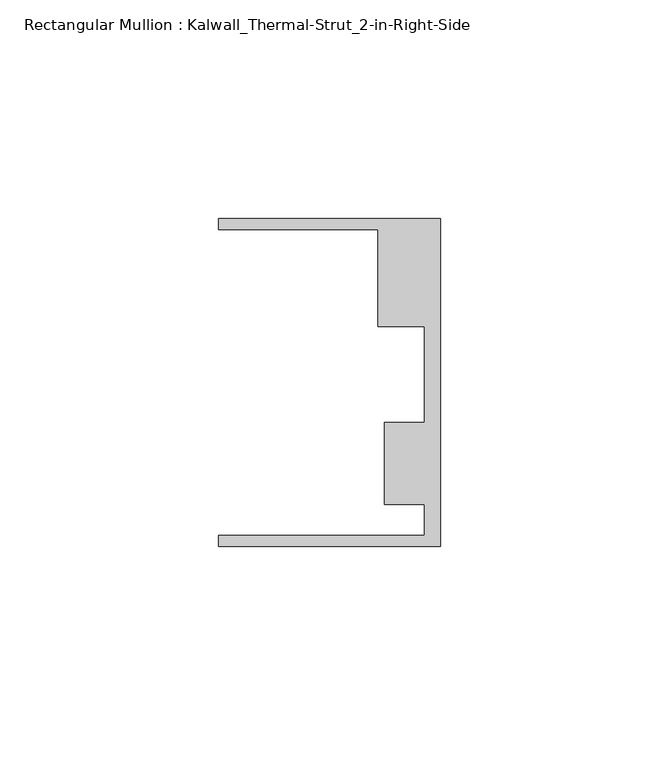
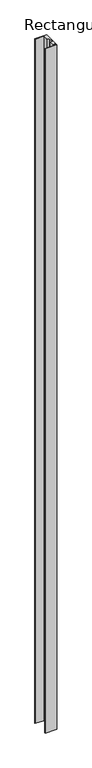
"""IFC4 building model written with IfcOpenShell, lengths in millimetres: member geometry, Rectangular Mullion : Kalwall_Thermal-Strut_2-in-Right-Side."""

import ifcopenshell
import ifcopenshell.guid

model = None  # the IFC model being written
_history = None  # IfcOwnerHistory: only IFC2X3 demands one
_inside = {}  # id of a spatial element -> (the spatial element, [elements in it])
_under = {}  # id of a project, library or spatial element -> (it, [spatial elements below it])
_declared = {}  # id of a project -> (the project, [libraries it declares])
_typed = {}  # id of a type object -> (the type object, [elements of that type])
_made_of = {}  # id of a material, layer set ... -> (it, [elements and type objects made of it])


def new_model(schema):
    """Start an empty IFC model of exactly this schema.

    Asked for "IFC4X3", IfcOpenShell would pick the latest addendum, in which some entities
    have other attributes; the version numbers below select the first issue.
    IFC2X3 requires an IfcOwnerHistory on every rooted entity: one is made here for all.
    """
    global model, _history
    if schema == "IFC4X3":
        model = ifcopenshell.file(schema_version=(4, 3, 0, 0))
    else:
        model = ifcopenshell.file(schema=schema)
    _inside.clear()
    _under.clear()
    _declared.clear()
    _typed.clear()
    _made_of.clear()
    _history = None
    if model.schema == "IFC2X3":
        org = make("IfcOrganization", Name="unknown")
        user = make(
            "IfcPersonAndOrganization",
            ThePerson=make("IfcPerson", FamilyName="unknown"),
            TheOrganization=org,
        )
        app = make(
            "IfcApplication",
            ApplicationDeveloper=org,
            Version="unknown",
            ApplicationFullName="unknown",
            ApplicationIdentifier="unknown",
        )
        _history = make(
            "IfcOwnerHistory",
            OwningUser=user,
            OwningApplication=app,
            ChangeAction="ADDED",
            CreationDate=0,
        )
    return model


def make(cls, **values):
    """One entity of the class cls with the attributes given. An attribute that is None is left unset."""
    return model.create_entity(
        cls, **{name: value for name, value in values.items() if value is not None}
    )


def rooted(cls, **values):
    """An entity with a GlobalId (a new one), such as an element, a storey or a relation."""
    return make(cls, GlobalId=ifcopenshell.guid.new(), OwnerHistory=_history, **values)


def si_unit(unit_type, name, prefix=None):
    """IfcSIUnit, for example si_unit("LENGTHUNIT", "METRE", prefix="MILLI")."""
    return make("IfcSIUnit", UnitType=unit_type, Prefix=prefix, Name=name)


def assignment(units):
    """IfcUnitAssignment: the units of a project."""
    return None if units is None else make("IfcUnitAssignment", Units=units)


def point(xyz):
    """IfcCartesianPoint."""
    return None if xyz is None else make("IfcCartesianPoint", Coordinates=xyz)


def direction(xyz):
    """IfcDirection."""
    return None if xyz is None else make("IfcDirection", DirectionRatios=xyz)


def frame(location, z_axis=None, x_axis=None):
    """IfcAxis2Placement3D, a coordinate frame: its origin and axes. An axis left out is left unset."""
    return make(
        "IfcAxis2Placement3D",
        Location=point(location),
        Axis=direction(z_axis),
        RefDirection=direction(x_axis),
    )


def origin():
    """The frame at (0, 0, 0) with its axes left unset."""
    return frame((0.0, 0.0, 0.0))


def place(relative_to, where):
    """IfcLocalPlacement: puts the frame where relative to a parent placement (None: the world)."""
    return make(
        "IfcLocalPlacement", PlacementRelTo=relative_to, RelativePlacement=where
    )


def context(
    kind, dimensions, precision=None, world=None, true_north=None, identifier=None
):
    """IfcGeometricRepresentationContext, for example the 3D "Model" context."""
    return make(
        "IfcGeometricRepresentationContext",
        ContextIdentifier=identifier,
        ContextType=kind,
        CoordinateSpaceDimension=dimensions,
        Precision=precision,
        WorldCoordinateSystem=world,
        TrueNorth=true_north,
    )


def project(units=None, contexts=None):
    """IfcProject with its units and contexts."""
    return rooted(
        "IfcProject",
        Name="project",
        RepresentationContexts=contexts,
        UnitsInContext=assignment(units),
    )


def spatial(cls, under=None, at=None, **own):
    """A site, building, storey or space (cls), placed at a placement, below another one or the project."""
    s = rooted(cls, ObjectPlacement=at, **own)
    if under is not None:
        _under.setdefault(under.id(), (under, []))[1].append(s)
    return s


def polyline(points):
    """IfcPolyline through the points."""
    return make("IfcPolyline", Points=[point(p) for p in points])


def outline(outer, holes=None, kind="AREA"):
    """IfcArbitraryClosedProfileDef: a profile drawn as a closed curve; with holes, ...WithVoids."""
    if holes is None:
        return make("IfcArbitraryClosedProfileDef", ProfileType=kind, OuterCurve=outer)
    return make(
        "IfcArbitraryProfileDefWithVoids",
        ProfileType=kind,
        OuterCurve=outer,
        InnerCurves=holes,
    )


def extrude(swept, where, along, depth):
    """IfcExtrudedAreaSolid: the profile swept, set in the frame where, extruded along a direction by depth."""
    return make(
        "IfcExtrudedAreaSolid",
        SweptArea=swept,
        Position=where,
        ExtrudedDirection=direction(along),
        Depth=depth,
    )


def shape(context_of_items, identifier, shape_type, items):
    """IfcShapeRepresentation: the items that make up one representation, for example the "Body"."""
    return make(
        "IfcShapeRepresentation",
        ContextOfItems=context_of_items,
        RepresentationIdentifier=identifier,
        RepresentationType=shape_type,
        Items=items,
    )


def source(mapping_origin, context_of_items, identifier, shape_type, items):
    """IfcRepresentationMap: a shape defined once, which mapped items show again and again."""
    return make(
        "IfcRepresentationMap",
        MappingOrigin=mapping_origin,
        MappedRepresentation=shape(context_of_items, identifier, shape_type, items),
    )


def transform(
    local_origin,
    x_axis=None,
    y_axis=None,
    z_axis=None,
    scale=None,
    scale2=None,
    scale3=None,
    uniform=True,
):
    """IfcCartesianTransformationOperator3D, or its non-uniform kind. x_axis, y_axis, z_axis: its Axis1, 2, 3."""
    if uniform:
        return make(
            "IfcCartesianTransformationOperator3D",
            Axis1=direction(x_axis),
            Axis2=direction(y_axis),
            LocalOrigin=point(local_origin),
            Scale=scale,
            Axis3=direction(z_axis),
        )
    return make(
        "IfcCartesianTransformationOperator3DnonUniform",
        Axis1=direction(x_axis),
        Axis2=direction(y_axis),
        LocalOrigin=point(local_origin),
        Scale=scale,
        Axis3=direction(z_axis),
        Scale2=scale2,
        Scale3=scale3,
    )


def mapped(mapping_source, mapping_target):
    """IfcMappedItem: shows the shape of a source again, moved by a transform."""
    return make(
        "IfcMappedItem", MappingSource=mapping_source, MappingTarget=mapping_target
    )


def made_of(thing, what):
    """Note that an element or type object is made of a material, layer set ...; save() writes the relation."""
    if what is not None:
        _made_of.setdefault(what.id(), (what, []))[1].append(thing)
    return thing


def element(
    cls,
    number,
    at=None,
    inside=None,
    cuts=None,
    type_object=None,
    material=None,
    context=None,
    identifier="Body",
    shape_type=None,
    held_by="IfcProductDefinitionShape",
    body=None,
    shapes=None,
    **own,
):
    """One element of the class cls, such as IfcWall. Its Tag is "e" and its number.

    at: its placement. inside: the storey or other place that contains it. cuts: it is an
    opening in that element (IfcRelVoidsElement). A single representation is given by context,
    identifier, shape_type and body (its items); several are given by shapes. held_by: the class
    of the entity that holds the representations. save() writes the other relations.
    """
    e = rooted(cls, Tag="e%d" % number, ObjectPlacement=at, **own)
    if body is not None:
        shapes = [shape(context, identifier, shape_type, body)]
    if shapes is not None:
        e.Representation = make(held_by, Representations=shapes)
    if inside is not None:
        _inside.setdefault(inside.id(), (inside, []))[1].append(e)
    if cuts is not None:
        rooted(
            "IfcRelVoidsElement", RelatingBuildingElement=cuts, RelatedOpeningElement=e
        )
    if type_object is not None:
        _typed.setdefault(type_object.id(), (type_object, []))[1].append(e)
    return made_of(e, material)


def aggregate(whole, parts):
    """IfcRelAggregates: a whole, such as a stair, and the parts it consists of."""
    return rooted("IfcRelAggregates", RelatingObject=whole, RelatedObjects=parts)


def save(model, path):
    """Write the relations noted so far, then the file.

    IfcRelAggregates (storeys below a building ...), IfcRelContainedInSpatialStructure (elements
    in a storey), IfcRelDefinesByType, IfcRelAssociatesMaterial and IfcRelDeclares: one each for
    every whole, place, type object, material and project.
    """
    for whole, parts in _under.values():
        aggregate(whole, parts)
    for where, things in _inside.values():
        rooted(
            "IfcRelContainedInSpatialStructure",
            RelatedElements=things,
            RelatingStructure=where,
        )
    for kind, things in _typed.values():
        rooted("IfcRelDefinesByType", RelatedObjects=things, RelatingType=kind)
    for what, things in _made_of.values():
        rooted("IfcRelAssociatesMaterial", RelatedObjects=things, RelatingMaterial=what)
    for by, libraries in _declared.values():
        rooted("IfcRelDeclares", RelatingContext=by, RelatedDefinitions=libraries)
    model.write(path)


def rectangular_mullion_kalwall_thermal_strut_2_in_right_side_1e03ce16(model_context):
    return source(origin(), model_context, "Body", "SweptSolid", [
        extrude(outline(polyline([(0.0, -37.5776386), (-50.8, -37.5776386), (-50.8, -35.0376386), (-3.7084, -35.0376386), (-3.7084, -27.8888568), (-12.8272539, -27.8888568), (-12.8272539, -9.1879886), (-3.7084, -9.1879886), (-3.7084, 12.7373614), (-14.2875, 12.7373614), (-14.2875, 34.9623614), (-50.8, 34.9623614), (-50.8, 37.5023614), (0.0, 37.5023614), (0.0, -37.5776386)])), frame((0.0, 0.0, -3098.8), z_axis=(0.0, 0.0, 1.0), x_axis=(1.0, 0.0, 0.0)), (0.0, 0.0, 1.0), 3098.8),
    ])


if __name__ == "__main__":
    model = new_model("IFC4")
    model_context = context("Model", 3, world=origin())
    ifc_project = project(units=[si_unit("LENGTHUNIT", "METRE", prefix="MILLI")], contexts=[model_context])
    site = spatial("IfcSite", under=ifc_project)
    building = spatial("IfcBuilding", under=site)
    placement = place(None, origin())
    rectangular_mullion_kalwall_thermal_strut_2_in_right_side_shape = rectangular_mullion_kalwall_thermal_strut_2_in_right_side_1e03ce16(model_context)
    element("IfcMember", 1, ObjectType="Rectangular Mullion : Kalwall_Thermal-Strut_2-in-Right-Side", at=placement, inside=building, context=model_context, shape_type="MappedRepresentation", body=[
        mapped(rectangular_mullion_kalwall_thermal_strut_2_in_right_side_shape, transform((0.0, 0.0, 0.0), x_axis=(1.0, 0.0, 0.0), y_axis=(0.0, 1.0, 0.0), z_axis=(0.0, 0.0, 1.0))),
    ])
    save(model, "model.ifc")
